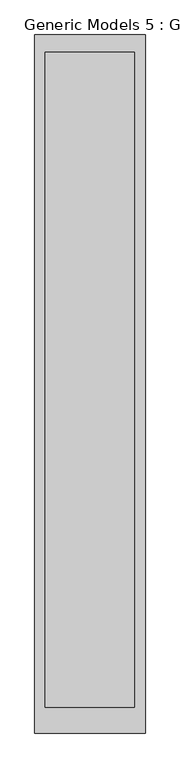
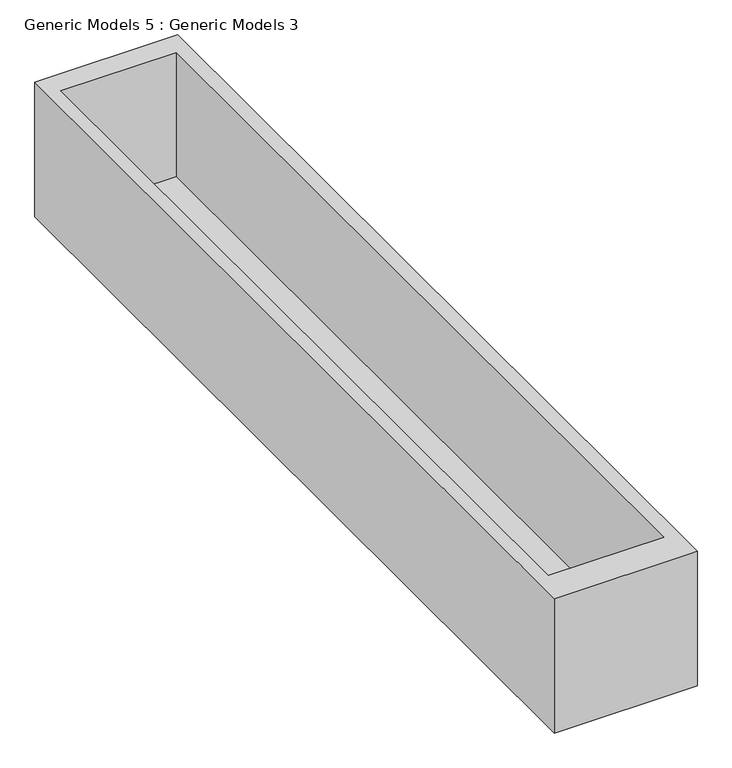
"""IFC4 building model written with IfcOpenShell, lengths in millimetres: proxy geometry, Generic Models 5 : Generic Models 3."""

from ifc_helpers import new_model, si_unit, origin, place, context, project, spatial, faceted_brep, source, transform, mapped, element, save


def generic_models_5_generic_models_3_c3f30d1c(model_context):
    return source(origin(), model_context, "Body", "Brep", [
        faceted_brep([(134151.0324212, -33055.4022885, 1297.8416696), (134151.0324212, -36209.9961023, 1297.8416696), (134651.0324212, -36209.9961023, 1297.8416696), (134651.0324212, -33055.4022885, 1297.8416696), (134601.0324212, -33134.1694974, 1297.8416696), (134601.0324212, -36094.4454553, 1297.8416696), (134196.9283473, -36094.4454553, 1297.8416696), (134196.9283473, -33134.1694974, 1297.8416696), (134151.0324212, -33055.4022885, 800.0), (134651.0324212, -33055.4022885, 800.0), (134651.0324212, -36209.9961023, 800.0), (134151.0324212, -36209.9961023, 800.0), (134601.0324212, -33134.1694974, 838.0779794), (134196.9283473, -33134.1694974, 838.0779794), (134196.9283473, -36094.4454553, 838.0779794), (134601.0324212, -36094.4454553, 838.0779794)], [[[0, 1, 2, 3], [4, 5, 6, 7]], [[8, 9, 10, 11]], [[1, 0, 8, 11]], [[2, 1, 11, 10]], [[3, 2, 10, 9]], [[0, 3, 9, 8]], [[12, 13, 14, 15]], [[12, 15, 5, 4]], [[15, 14, 6, 5]], [[14, 13, 7, 6]], [[13, 12, 4, 7]]]),
    ])


if __name__ == "__main__":
    model = new_model("IFC4")
    model_context = context("Model", 3, world=origin())
    ifc_project = project(units=[si_unit("LENGTHUNIT", "METRE", prefix="MILLI")], contexts=[model_context])
    site = spatial("IfcSite", under=ifc_project)
    building = spatial("IfcBuilding", under=site)
    placement = place(None, origin())
    generic_models_5_generic_models_3_shape = generic_models_5_generic_models_3_c3f30d1c(model_context)
    element("IfcBuildingElementProxy", 1, Name="Generic Models 5 : Generic Models 3", ObjectType="Generic Models 5 : Generic Models 3", at=placement, inside=building, context=model_context, shape_type="MappedRepresentation", body=[
        mapped(generic_models_5_generic_models_3_shape, transform((0.0, 0.0, 0.0), x_axis=(1.0, 0.0, 0.0), y_axis=(0.0, 1.0, 0.0), z_axis=(0.0, 0.0, 1.0))),
    ])
    save(model, "model.ifc")
